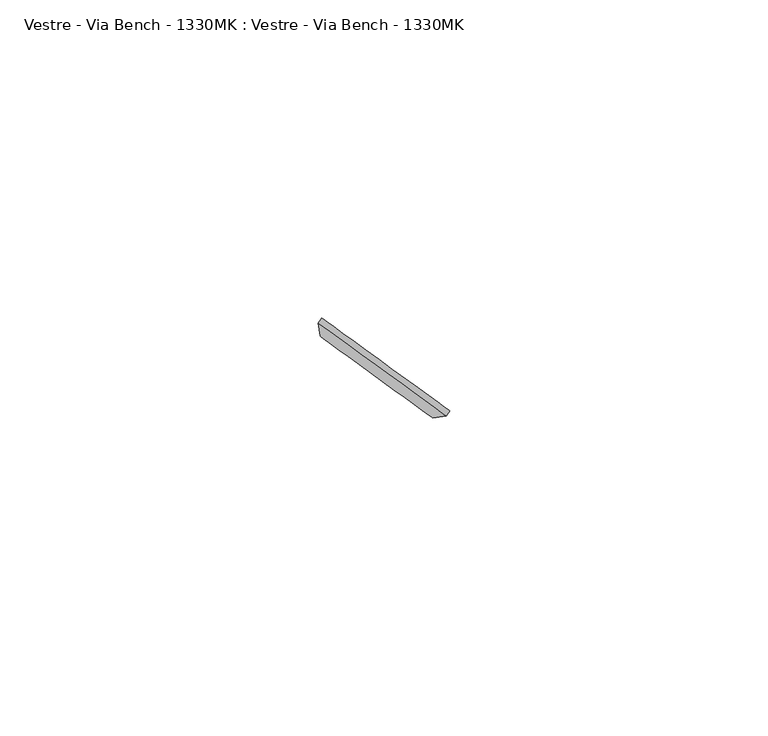
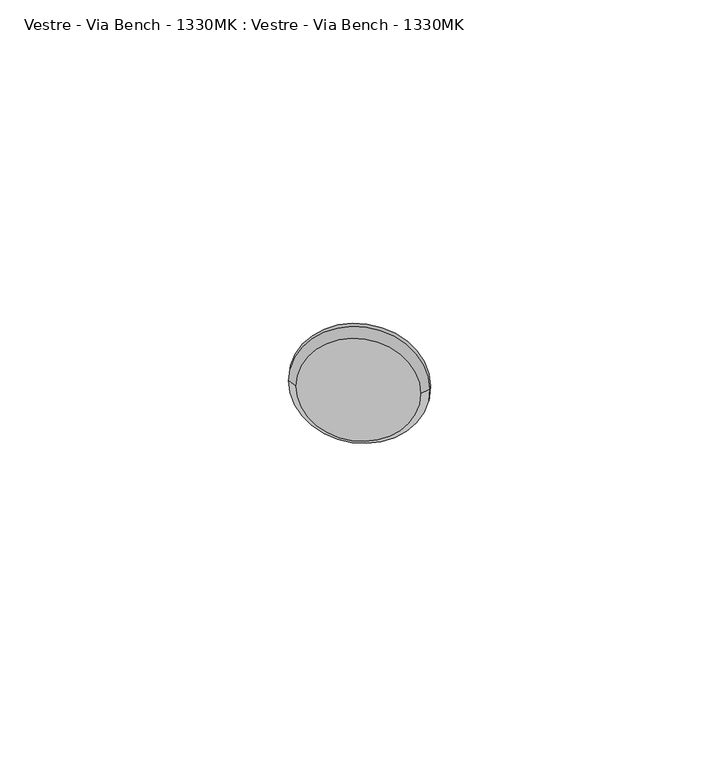
"""IFC4 building model written with IfcOpenShell, lengths in millimetres: furniture geometry, Vestre - Via Bench - 1330MK : Vestre - Via Bench - 1330MK."""

import ifcopenshell
import ifcopenshell.guid

model = None  # the IFC model being written
_history = None  # IfcOwnerHistory: only IFC2X3 demands one
_inside = {}  # id of a spatial element -> (the spatial element, [elements in it])
_under = {}  # id of a project, library or spatial element -> (it, [spatial elements below it])
_declared = {}  # id of a project -> (the project, [libraries it declares])
_typed = {}  # id of a type object -> (the type object, [elements of that type])
_made_of = {}  # id of a material, layer set ... -> (it, [elements and type objects made of it])


def new_model(schema):
    """Start an empty IFC model of exactly this schema.

    Asked for "IFC4X3", IfcOpenShell would pick the latest addendum, in which some entities
    have other attributes; the version numbers below select the first issue.
    IFC2X3 requires an IfcOwnerHistory on every rooted entity: one is made here for all.
    """
    global model, _history
    if schema == "IFC4X3":
        model = ifcopenshell.file(schema_version=(4, 3, 0, 0))
    else:
        model = ifcopenshell.file(schema=schema)
    _inside.clear()
    _under.clear()
    _declared.clear()
    _typed.clear()
    _made_of.clear()
    _history = None
    if model.schema == "IFC2X3":
        org = make("IfcOrganization", Name="unknown")
        user = make(
            "IfcPersonAndOrganization",
            ThePerson=make("IfcPerson", FamilyName="unknown"),
            TheOrganization=org,
        )
        app = make(
            "IfcApplication",
            ApplicationDeveloper=org,
            Version="unknown",
            ApplicationFullName="unknown",
            ApplicationIdentifier="unknown",
        )
        _history = make(
            "IfcOwnerHistory",
            OwningUser=user,
            OwningApplication=app,
            ChangeAction="ADDED",
            CreationDate=0,
        )
    return model


def make(cls, **values):
    """One entity of the class cls with the attributes given. An attribute that is None is left unset."""
    return model.create_entity(
        cls, **{name: value for name, value in values.items() if value is not None}
    )


def rooted(cls, **values):
    """An entity with a GlobalId (a new one), such as an element, a storey or a relation."""
    return make(cls, GlobalId=ifcopenshell.guid.new(), OwnerHistory=_history, **values)


def si_unit(unit_type, name, prefix=None):
    """IfcSIUnit, for example si_unit("LENGTHUNIT", "METRE", prefix="MILLI")."""
    return make("IfcSIUnit", UnitType=unit_type, Prefix=prefix, Name=name)


def assignment(units):
    """IfcUnitAssignment: the units of a project."""
    return None if units is None else make("IfcUnitAssignment", Units=units)


def point(xyz):
    """IfcCartesianPoint."""
    return None if xyz is None else make("IfcCartesianPoint", Coordinates=xyz)


def direction(xyz):
    """IfcDirection."""
    return None if xyz is None else make("IfcDirection", DirectionRatios=xyz)


def frame(location, z_axis=None, x_axis=None):
    """IfcAxis2Placement3D, a coordinate frame: its origin and axes. An axis left out is left unset."""
    return make(
        "IfcAxis2Placement3D",
        Location=point(location),
        Axis=direction(z_axis),
        RefDirection=direction(x_axis),
    )


def origin():
    """The frame at (0, 0, 0) with its axes left unset."""
    return frame((0.0, 0.0, 0.0))


def place(relative_to, where):
    """IfcLocalPlacement: puts the frame where relative to a parent placement (None: the world)."""
    return make(
        "IfcLocalPlacement", PlacementRelTo=relative_to, RelativePlacement=where
    )


def context(
    kind, dimensions, precision=None, world=None, true_north=None, identifier=None
):
    """IfcGeometricRepresentationContext, for example the 3D "Model" context."""
    return make(
        "IfcGeometricRepresentationContext",
        ContextIdentifier=identifier,
        ContextType=kind,
        CoordinateSpaceDimension=dimensions,
        Precision=precision,
        WorldCoordinateSystem=world,
        TrueNorth=true_north,
    )


def project(units=None, contexts=None):
    """IfcProject with its units and contexts."""
    return rooted(
        "IfcProject",
        Name="project",
        RepresentationContexts=contexts,
        UnitsInContext=assignment(units),
    )


def spatial(cls, under=None, at=None, **own):
    """A site, building, storey or space (cls), placed at a placement, below another one or the project."""
    s = rooted(cls, ObjectPlacement=at, **own)
    if under is not None:
        _under.setdefault(under.id(), (under, []))[1].append(s)
    return s


def polyline(points):
    """IfcPolyline through the points."""
    return make("IfcPolyline", Points=[point(p) for p in points])


def circle_curve(where, radius):
    """IfcCircle in the frame where."""
    return make("IfcCircle", Position=where, Radius=radius)


def shape(context_of_items, identifier, shape_type, items):
    """IfcShapeRepresentation: the items that make up one representation, for example the "Body"."""
    return make(
        "IfcShapeRepresentation",
        ContextOfItems=context_of_items,
        RepresentationIdentifier=identifier,
        RepresentationType=shape_type,
        Items=items,
    )


def source(mapping_origin, context_of_items, identifier, shape_type, items):
    """IfcRepresentationMap: a shape defined once, which mapped items show again and again."""
    return make(
        "IfcRepresentationMap",
        MappingOrigin=mapping_origin,
        MappedRepresentation=shape(context_of_items, identifier, shape_type, items),
    )


def transform(
    local_origin,
    x_axis=None,
    y_axis=None,
    z_axis=None,
    scale=None,
    scale2=None,
    scale3=None,
    uniform=True,
):
    """IfcCartesianTransformationOperator3D, or its non-uniform kind. x_axis, y_axis, z_axis: its Axis1, 2, 3."""
    if uniform:
        return make(
            "IfcCartesianTransformationOperator3D",
            Axis1=direction(x_axis),
            Axis2=direction(y_axis),
            LocalOrigin=point(local_origin),
            Scale=scale,
            Axis3=direction(z_axis),
        )
    return make(
        "IfcCartesianTransformationOperator3DnonUniform",
        Axis1=direction(x_axis),
        Axis2=direction(y_axis),
        LocalOrigin=point(local_origin),
        Scale=scale,
        Axis3=direction(z_axis),
        Scale2=scale2,
        Scale3=scale3,
    )


def mapped(mapping_source, mapping_target):
    """IfcMappedItem: shows the shape of a source again, moved by a transform."""
    return make(
        "IfcMappedItem", MappingSource=mapping_source, MappingTarget=mapping_target
    )


def made_of(thing, what):
    """Note that an element or type object is made of a material, layer set ...; save() writes the relation."""
    if what is not None:
        _made_of.setdefault(what.id(), (what, []))[1].append(thing)
    return thing


def element(
    cls,
    number,
    at=None,
    inside=None,
    cuts=None,
    type_object=None,
    material=None,
    context=None,
    identifier="Body",
    shape_type=None,
    held_by="IfcProductDefinitionShape",
    body=None,
    shapes=None,
    **own,
):
    """One element of the class cls, such as IfcWall. Its Tag is "e" and its number.

    at: its placement. inside: the storey or other place that contains it. cuts: it is an
    opening in that element (IfcRelVoidsElement). A single representation is given by context,
    identifier, shape_type and body (its items); several are given by shapes. held_by: the class
    of the entity that holds the representations. save() writes the other relations.
    """
    e = rooted(cls, Tag="e%d" % number, ObjectPlacement=at, **own)
    if body is not None:
        shapes = [shape(context, identifier, shape_type, body)]
    if shapes is not None:
        e.Representation = make(held_by, Representations=shapes)
    if inside is not None:
        _inside.setdefault(inside.id(), (inside, []))[1].append(e)
    if cuts is not None:
        rooted(
            "IfcRelVoidsElement", RelatingBuildingElement=cuts, RelatedOpeningElement=e
        )
    if type_object is not None:
        _typed.setdefault(type_object.id(), (type_object, []))[1].append(e)
    return made_of(e, material)


def aggregate(whole, parts):
    """IfcRelAggregates: a whole, such as a stair, and the parts it consists of."""
    return rooted("IfcRelAggregates", RelatingObject=whole, RelatedObjects=parts)


def save(model, path):
    """Write the relations noted so far, then the file.

    IfcRelAggregates (storeys below a building ...), IfcRelContainedInSpatialStructure (elements
    in a storey), IfcRelDefinesByType, IfcRelAssociatesMaterial and IfcRelDeclares: one each for
    every whole, place, type object, material and project.
    """
    for whole, parts in _under.values():
        aggregate(whole, parts)
    for where, things in _inside.values():
        rooted(
            "IfcRelContainedInSpatialStructure",
            RelatedElements=things,
            RelatingStructure=where,
        )
    for kind, things in _typed.values():
        rooted("IfcRelDefinesByType", RelatedObjects=things, RelatingType=kind)
    for what, things in _made_of.values():
        rooted("IfcRelAssociatesMaterial", RelatedObjects=things, RelatingMaterial=what)
    for by, libraries in _declared.values():
        rooted("IfcRelDeclares", RelatingContext=by, RelatedDefinitions=libraries)
    model.write(path)


def plane_surface(at):
    """IfcPlane: the flat surface through the origin of the frame at, square to its z axis."""
    return make("IfcPlane", Position=at)


def cylinder_surface(at, radius):
    """IfcCylindricalSurface: all points at the distance radius from the z axis of the frame at."""
    return make("IfcCylindricalSurface", Position=at, Radius=radius)


def revolved_surface(curve, axis_point, axis_direction):
    """IfcSurfaceOfRevolution: the curve turned about the line through axis_point along axis_direction."""
    return make(
        "IfcSurfaceOfRevolution",
        SweptCurve=make("IfcArbitraryOpenProfileDef", ProfileType="CURVE", Curve=curve),
        AxisPosition=make("IfcAxis1Placement", Location=point(axis_point), Axis=direction(axis_direction)),
    )


def advanced_brep(points, edges, surfaces, faces):
    """IfcAdvancedBrep: a solid bounded by faces that lie on surfaces and meet in shared edges.

    An edge is (start, end): straight between two places in points (the first is 0);
    or (start, end, curve); or (start, end, curve, False) where it runs against its curve.
    A face is (place in surfaces, loops), or (place, loops, False) where it looks against
    its surface's normal. A loop lists edges by number (the first is 1), with a minus sign
    where the edge is run from its end to its start. The first loop is the outer one.
    """
    corners = [point(p) for p in points]
    vertices = [make("IfcVertexPoint", VertexGeometry=c) for c in corners]
    made = []
    for start, end, *more in edges:
        made.append(
            make(
                "IfcEdgeCurve",
                EdgeStart=vertices[start],
                EdgeEnd=vertices[end],
                EdgeGeometry=more[0] if more else make("IfcPolyline", Points=[corners[start], corners[end]]),
                SameSense=more[1] if len(more) > 1 else True,
            )
        )
    hull = []
    for where, loops, *sense in faces:
        bounds = []
        for j, loop in enumerate(loops):
            ring = [make("IfcOrientedEdge", EdgeElement=made[abs(k) - 1], Orientation=k > 0) for k in loop]
            bounds.append(
                make(
                    "IfcFaceOuterBound" if j == 0 else "IfcFaceBound",
                    Bound=make("IfcEdgeLoop", EdgeList=ring),
                    Orientation=True,
                )
            )
        hull.append(make("IfcAdvancedFace", Bounds=bounds, FaceSurface=surfaces[where], SameSense=sense[0] if sense else True))
    return make("IfcAdvancedBrep", Outer=make("IfcClosedShell", CfsFaces=hull))


def vestre_via_bench_1330mk_vestre_via_bench_1330mk_40eb9804(model_context):
    return source(origin(), model_context, "Body", "AdvancedBrep", [
        advanced_brep(
        [(730.7205632, -469.9698066, 414.0553515), (748.4269956, -482.8342828, 414.0553515), (751.1056453, -481.7264799, 414.0553515), (730.9463981, -467.0799295, 414.0553515), (750.5444401, -482.4989125, 414.0553515), (730.385193, -467.8523621, 414.0553515)],
        [
            (0, 1, circle_curve(frame((739.5737794, -476.4020447, 414.0553515), z_axis=(-0.5877852522925394, -0.8090169943748994, 0.0), x_axis=(0.8090169943748994, -0.5877852522925394, 0.0)), 10.943177)),
            (1, 0, circle_curve(frame((739.5737794, -476.4020447, 414.0553515), z_axis=(-0.5877852522925394, -0.8090169943748994, 0.0), x_axis=(-0.8090169943748994, 0.5877852522925394, 0.0)), 10.943177)),
            (2, 3, circle_curve(frame((741.0260217, -474.4032047, 414.0553515), z_axis=(0.5877852522925394, 0.8090169943748994, 0.0), x_axis=(0.8090169943748994, -0.5877852522925394, 0.0)), 12.4590999)),
            (3, 2, circle_curve(frame((741.0260217, -474.4032047, 414.0553515), z_axis=(0.5877852522925394, 0.8090169943748994, 0.0), x_axis=(-0.8090169943748994, 0.5877852522925394, 0.0)), 12.4590999)),
            (2, 4),
            (4, 5, circle_curve(frame((740.4648165, -475.1756373, 414.0553515), z_axis=(0.5877852522925394, 0.8090169943748994, 0.0), x_axis=(0.8090169943748994, -0.5877852522925394, 0.0)), 12.4590999)),
            (5, 3),
            (4, 1),
            (0, 5),
            (5, 4, circle_curve(frame((740.4648165, -475.1756373, 414.0553515), z_axis=(0.5877852522925394, 0.8090169943748994, 0.0), x_axis=(-0.8090169943748994, 0.5877852522925394, 0.0)), 12.4590999)),
        ],
        [
            plane_surface(frame((737.9923197, -475.2530469, 414.0553515), z_axis=(-0.5877852522925394, -0.8090169943748993, 0.0), x_axis=(0.0, 0.0, -1.0))),
            plane_surface(frame((739.444562, -473.2542069, 414.0553515), z_axis=(0.5877852522925394, 0.8090169943748993, 0.0), x_axis=(0.0, 0.0, 1.0))),
            cylinder_surface(frame((890.7521463, -268.3228737, 414.0553515), z_axis=(0.5877852522925394, 0.8090169943748994, 0.0), x_axis=(0.8090169943748994, -0.5877852522925394, 0.0)), 12.4590999),
            revolved_surface(polyline([(748.4269956, -482.8342828, 414.0553515), (750.5444401, -482.4989125, 414.0553515)]), (890.7521463, -268.3228737, 414.0553515), (0.5877852522925394, 0.8090169943748994, 0.0)),
            cylinder_surface(frame((890.7521463, -268.3228737, 414.0553515), z_axis=(0.5877852522925394, 0.8090169943748994, 0.0), x_axis=(-0.8090169943748994, 0.5877852522925394, 0.0)), 12.4590999),
            revolved_surface(polyline([(730.7205632, -469.9698066, 414.0553515), (730.385193, -467.8523621, 414.0553515)]), (890.7521463, -268.3228737, 414.0553515), (0.5877852522925394, 0.8090169943748994, 0.0)),
        ],
        [
            (0, [[1, 2]]),
            (1, [[3, 4]]),
            (2, [[-3, 5, 6, 7]]),
            (3, [[-6, 8, -1, 9]]),
            (4, [[-5, -4, -7, 10]]),
            (5, [[-8, -10, -9, -2]]),
        ],
    ),
    ])


if __name__ == "__main__":
    model = new_model("IFC4")
    model_context = context("Model", 3, world=origin())
    ifc_project = project(units=[si_unit("LENGTHUNIT", "METRE", prefix="MILLI")], contexts=[model_context])
    site = spatial("IfcSite", under=ifc_project)
    building = spatial("IfcBuilding", under=site)
    placement = place(None, origin())
    vestre_via_bench_1330mk_vestre_via_bench_1330mk_shape = vestre_via_bench_1330mk_vestre_via_bench_1330mk_40eb9804(model_context)
    element("IfcFurniture", 1, ObjectType="Vestre - Via Bench - 1330MK : Vestre - Via Bench - 1330MK", at=placement, inside=building, context=model_context, shape_type="MappedRepresentation", body=[
        mapped(vestre_via_bench_1330mk_vestre_via_bench_1330mk_shape, transform((0.0, 0.0, 0.0), x_axis=(1.0, 0.0, 0.0), y_axis=(0.0, 1.0, 0.0), z_axis=(0.0, 0.0, 1.0))),
    ])
    save(model, "model.ifc")
